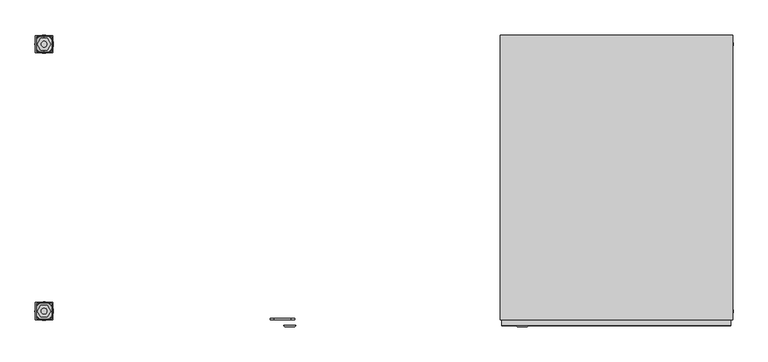
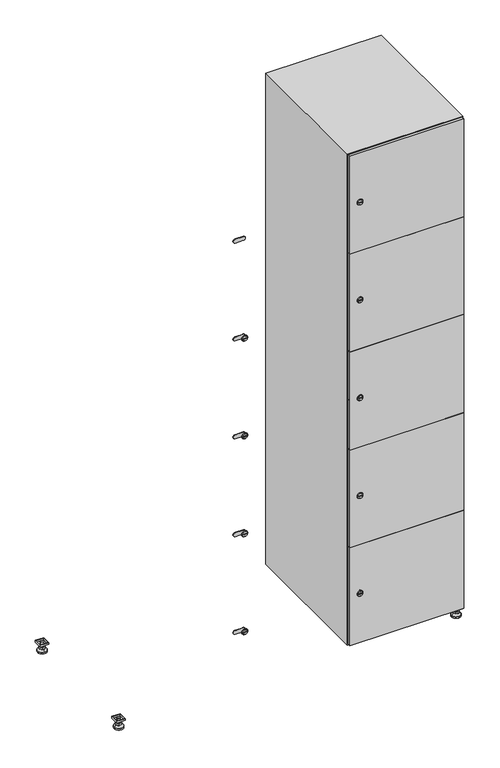
"""IFC4 building model written with IfcOpenShell, lengths in millimetres: furniture geometry."""

from ifc_helpers import new_model, si_unit, point, frame, frame_2d, origin, origin_with_axes, place, context, project, spatial, polyline, circle_curve, trimmed, segment, composite_curve, outline, extrude, faceted_brep, source, transform, mapped, element, save
from ifc_brep_helpers import plane_surface, revolved_surface, advanced_brep


def furniture_a949ebe7(model_context):
    return source(origin(), model_context, "Body", "SolidModel", [
        extrude(outline(polyline([(1000.0, 245.0), (1000.0, 215.0), (970.0, 215.0), (970.0, 245.0), (1000.0, 245.0)]), holes=[polyline([(998.0, 243.0), (972.0, 243.0), (972.0, 217.0), (998.0, 217.0), (998.0, 243.0)])]), frame((0.0, 0.0, 28.5), z_axis=(0.0, 0.0, 1.0), x_axis=(1.0, 0.0, 0.0)), (0.0, 0.0, 1.0), 6.5),
        extrude(outline(polyline([(970.0, -245.0), (970.0, -215.0), (1000.0, -215.0), (1000.0, -245.0), (970.0, -245.0)]), holes=[polyline([(972.0, -243.0), (998.0, -243.0), (998.0, -217.0), (972.0, -217.0), (972.0, -243.0)])]), frame((0.0, 0.0, 28.5), z_axis=(0.0, 0.0, 1.0), x_axis=(1.0, 0.0, 0.0)), (0.0, 0.0, 1.0), 6.5),
        extrude(outline(polyline([(-170.0, 245.0), (-170.0, 215.0), (-200.0, 215.0), (-200.0, 245.0), (-170.0, 245.0)]), holes=[polyline([(-172.0, 243.0), (-198.0, 243.0), (-198.0, 217.0), (-172.0, 217.0), (-172.0, 243.0)])]), frame((0.0, 0.0, 28.5), z_axis=(0.0, 0.0, 1.0), x_axis=(1.0, 0.0, 0.0)), (0.0, 0.0, 1.0), 6.5),
        extrude(outline(polyline([(-170.0, -215.0), (-170.0, -245.0), (-200.0, -245.0), (-200.0, -215.0), (-170.0, -215.0)]), holes=[polyline([(-198.0, -243.0), (-172.0, -243.0), (-172.0, -217.0), (-198.0, -217.0), (-198.0, -243.0)])]), frame((0.0, 0.0, 28.5), z_axis=(0.0, 0.0, 1.0), x_axis=(1.0, 0.0, 0.0)), (0.0, 0.0, 1.0), 6.5),
        extrude(outline(composite_curve([segment(trimmed(circle_curve(frame_2d((-185.0, 230.0)), 5.0), [point((-180.0, 230.0))], [point((-190.0, 230.0))], False, "CARTESIAN"), True, "CONTINUOUS"), segment(trimmed(circle_curve(frame_2d((-185.0, 230.0)), 5.0), [point((-190.0, 230.0))], [point((-180.0, 230.0))], False, "CARTESIAN"), True, "CONTINUOUS")], self_intersect=False)), frame((0.0, 0.0, 19.6), z_axis=(0.0, 0.0, 1.0), x_axis=(1.0, 0.0, 0.0)), (0.0, 0.0, 1.0), 15.4),
        extrude(outline(composite_curve([segment(trimmed(circle_curve(frame_2d((-185.0, -230.0)), 5.0), [point((-180.0, -230.0))], [point((-190.0, -230.0))], False, "CARTESIAN"), True, "CONTINUOUS"), segment(trimmed(circle_curve(frame_2d((-185.0, -230.0)), 5.0), [point((-190.0, -230.0))], [point((-180.0, -230.0))], False, "CARTESIAN"), True, "CONTINUOUS")], self_intersect=False)), frame((0.0, 0.0, 19.6), z_axis=(0.0, 0.0, 1.0), x_axis=(1.0, 0.0, 0.0)), (0.0, 0.0, 1.0), 15.4),
        extrude(outline(composite_curve([segment(trimmed(circle_curve(frame_2d((985.0, 230.0)), 5.0), [point((990.0, 230.0))], [point((980.0, 230.0))], False, "CARTESIAN"), True, "CONTINUOUS"), segment(trimmed(circle_curve(frame_2d((985.0, 230.0)), 5.0), [point((980.0, 230.0))], [point((990.0, 230.0))], False, "CARTESIAN"), True, "CONTINUOUS")], self_intersect=False)), frame((0.0, 0.0, 19.6), z_axis=(0.0, 0.0, 1.0), x_axis=(1.0, 0.0, 0.0)), (0.0, 0.0, 1.0), 15.4),
        extrude(outline(polyline([(973.4529946, 230.0), (979.2264973, 240.0), (990.7735027, 240.0), (996.5470054, 230.0), (990.7735027, 220.0), (979.2264973, 220.0), (973.4529946, 230.0)])), frame((0.0, 0.0, 13.6), z_axis=(0.0, 0.0, 1.0), x_axis=(1.0, 0.0, 0.0)), (0.0, 0.0, 1.0), 6.0),
        extrude(outline(composite_curve([segment(trimmed(circle_curve(frame_2d((985.0, -230.0)), 5.0), [point((990.0, -230.0))], [point((980.0, -230.0))], False, "CARTESIAN"), True, "CONTINUOUS"), segment(trimmed(circle_curve(frame_2d((985.0, -230.0)), 5.0), [point((980.0, -230.0))], [point((990.0, -230.0))], False, "CARTESIAN"), True, "CONTINUOUS")], self_intersect=False)), frame((0.0, 0.0, 19.6), z_axis=(0.0, 0.0, 1.0), x_axis=(1.0, 0.0, 0.0)), (0.0, 0.0, 1.0), 15.4),
        extrude(outline(polyline([(973.4529946, -230.0), (979.2264973, -220.0), (990.7735027, -220.0), (996.5470054, -230.0), (990.7735027, -240.0), (979.2264973, -240.0), (973.4529946, -230.0)])), frame((0.0, 0.0, 13.6), z_axis=(0.0, 0.0, 1.0), x_axis=(1.0, 0.0, 0.0)), (0.0, 0.0, 1.0), 6.0),
        extrude(outline(composite_curve([segment(trimmed(circle_curve(frame_2d((985.0, 230.0)), 5.0), [point((990.0, 230.0))], [point((980.0, 230.0))], False, "CARTESIAN"), True, "CONTINUOUS"), segment(trimmed(circle_curve(frame_2d((985.0, 230.0)), 5.0), [point((980.0, 230.0))], [point((990.0, 230.0))], False, "CARTESIAN"), True, "CONTINUOUS")], self_intersect=False)), frame((0.0, 0.0, 12.1), z_axis=(0.0, 0.0, 1.0), x_axis=(1.0, 0.0, 0.0)), (0.0, 0.0, 1.0), 1.5),
        extrude(outline(composite_curve([segment(trimmed(circle_curve(frame_2d((985.0, -230.0)), 5.0), [point((990.0, -230.0))], [point((980.0, -230.0))], False, "CARTESIAN"), True, "CONTINUOUS"), segment(trimmed(circle_curve(frame_2d((985.0, -230.0)), 5.0), [point((980.0, -230.0))], [point((990.0, -230.0))], False, "CARTESIAN"), True, "CONTINUOUS")], self_intersect=False)), frame((0.0, 0.0, 12.1), z_axis=(0.0, 0.0, 1.0), x_axis=(1.0, 0.0, 0.0)), (0.0, 0.0, 1.0), 1.5),
        extrude(outline(polyline([(-196.5470054, 230.0), (-190.7735027, 240.0), (-179.2264973, 240.0), (-173.4529946, 230.0), (-179.2264973, 220.0), (-190.7735027, 220.0), (-196.5470054, 230.0)])), frame((0.0, 0.0, 13.6), z_axis=(0.0, 0.0, 1.0), x_axis=(1.0, 0.0, 0.0)), (0.0, 0.0, 1.0), 6.0),
        extrude(outline(polyline([(-196.5470054, -230.0), (-190.7735027, -220.0), (-179.2264973, -220.0), (-173.4529946, -230.0), (-179.2264973, -240.0), (-190.7735027, -240.0), (-196.5470054, -230.0)])), frame((0.0, 0.0, 13.6), z_axis=(0.0, 0.0, 1.0), x_axis=(1.0, 0.0, 0.0)), (0.0, 0.0, 1.0), 6.0),
        extrude(outline(composite_curve([segment(trimmed(circle_curve(frame_2d((-185.0, 230.0)), 5.0), [point((-185.0, 235.0))], [point((-185.0, 225.0))], False, "CARTESIAN"), True, "CONTINUOUS"), segment(trimmed(circle_curve(frame_2d((-185.0, 230.0)), 5.0), [point((-185.0, 225.0))], [point((-185.0, 235.0))], False, "CARTESIAN"), True, "CONTINUOUS")], self_intersect=False)), frame((0.0, 0.0, 12.1), z_axis=(0.0, 0.0, 1.0), x_axis=(1.0, 0.0, 0.0)), (0.0, 0.0, 1.0), 1.5),
        extrude(outline(composite_curve([segment(trimmed(circle_curve(frame_2d((-185.0, -230.0)), 5.0), [point((-180.0, -230.0))], [point((-190.0, -230.0))], False, "CARTESIAN"), True, "CONTINUOUS"), segment(trimmed(circle_curve(frame_2d((-185.0, -230.0)), 5.0), [point((-190.0, -230.0))], [point((-180.0, -230.0))], False, "CARTESIAN"), True, "CONTINUOUS")], self_intersect=False)), frame((0.0, 0.0, 12.1), z_axis=(0.0, 0.0, 1.0), x_axis=(1.0, 0.0, 0.0)), (0.0, 0.0, 1.0), 1.5),
        extrude(outline(composite_curve([segment(trimmed(circle_curve(frame_2d((985.0, 230.0)), 15.75), [point((1000.75, 230.0))], [point((969.25, 230.0))], False, "CARTESIAN"), True, "CONTINUOUS"), segment(trimmed(circle_curve(frame_2d((985.0, 230.0)), 15.75), [point((969.25, 230.0))], [point((1000.75, 230.0))], False, "CARTESIAN"), True, "CONTINUOUS")], self_intersect=False)), origin_with_axes(), (0.0, 0.0, 1.0), 5.1),
        extrude(outline(composite_curve([segment(trimmed(circle_curve(frame_2d((985.0, -230.0)), 15.75), [point((985.0, -214.25))], [point((985.0, -245.75))], False, "CARTESIAN"), True, "CONTINUOUS"), segment(trimmed(circle_curve(frame_2d((985.0, -230.0)), 15.75), [point((985.0, -245.75))], [point((985.0, -214.25))], False, "CARTESIAN"), True, "CONTINUOUS")], self_intersect=False)), origin_with_axes(), (0.0, 0.0, 1.0), 5.1),
        extrude(outline(composite_curve([segment(trimmed(circle_curve(frame_2d((-185.0, -230.0)), 15.75), [point((-169.25, -230.0))], [point((-200.75, -230.0))], False, "CARTESIAN"), True, "CONTINUOUS"), segment(trimmed(circle_curve(frame_2d((-185.0, -230.0)), 15.75), [point((-200.75, -230.0))], [point((-169.25, -230.0))], False, "CARTESIAN"), True, "CONTINUOUS")], self_intersect=False)), origin_with_axes(), (0.0, 0.0, 1.0), 5.1),
        extrude(outline(composite_curve([segment(trimmed(circle_curve(frame_2d((-185.0, 230.0)), 15.75), [point((-169.25, 230.0))], [point((-200.75, 230.0))], False, "CARTESIAN"), True, "CONTINUOUS"), segment(trimmed(circle_curve(frame_2d((-185.0, 230.0)), 15.75), [point((-200.75, 230.0))], [point((-169.25, 230.0))], False, "CARTESIAN"), True, "CONTINUOUS")], self_intersect=False)), origin_with_axes(), (0.0, 0.0, 1.0), 5.1),
        advanced_brep(
        [(-185.0, 239.5, 12.1), (-185.0, 220.5, 12.1), (-185.0, 214.25, 5.1), (-185.0, 245.75, 5.1)],
        [
            (0, 1, circle_curve(frame((-185.0, 230.0, 12.1), z_axis=(0.0, 0.0, -1.0), x_axis=(0.0, 1.0, 0.0)), 9.5)),
            (1, 2),
            (2, 3, circle_curve(frame((-185.0, 230.0, 5.1), z_axis=(0.0, 0.0, 1.0), x_axis=(0.0, 1.0, 0.0)), 15.75)),
            (3, 0),
            (1, 0, circle_curve(frame((-185.0, 230.0, 12.1), z_axis=(0.0, 0.0, -1.0), x_axis=(0.0, -1.0, 0.0)), 9.5)),
            (3, 2, circle_curve(frame((-185.0, 230.0, 5.1), z_axis=(0.0, 0.0, 1.0), x_axis=(0.0, -1.0, 0.0)), 15.75)),
        ],
        [
            revolved_surface(polyline([(-185.0, 220.5, 12.099999999999998), (-185.0, 214.25, 5.099999999999998)]), (-185.0, 230.0, 22.74), (0.0, 0.0, -1.0)),
            revolved_surface(polyline([(-185.0, 239.5, 12.099999999999998), (-185.0, 245.75, 5.099999999999998)]), (-185.0, 230.0, 22.74), (0.0, 0.0, -1.0)),
            plane_surface(frame((-185.0, 230.0, 5.1), z_axis=(0.0, 0.0, -1.0), x_axis=(1.0, 0.0, 0.0))),
            plane_surface(frame((-185.0, 230.0, 12.1), z_axis=(0.0, 0.0, 1.0), x_axis=(1.0, 0.0, 0.0))),
        ],
        [
            (0, [[1, 2, 3, 4]]),
            (1, [[5, -4, 6, -2]]),
            (2, [[-3, -6]]),
            (3, [[-5, -1]]),
        ],
    ),
        advanced_brep(
        [(985.0, 239.5, 12.1), (985.0, 220.5, 12.1), (985.0, 214.25, 5.1), (985.0, 245.75, 5.1)],
        [
            (0, 1, circle_curve(frame((985.0, 230.0, 12.1), z_axis=(0.0, 0.0, -1.0), x_axis=(0.0, 1.0, 0.0)), 9.5)),
            (1, 2),
            (2, 3, circle_curve(frame((985.0, 230.0, 5.1), z_axis=(0.0, 0.0, 1.0), x_axis=(0.0, 1.0, 0.0)), 15.75)),
            (3, 0),
            (1, 0, circle_curve(frame((985.0, 230.0, 12.1), z_axis=(0.0, 0.0, -1.0), x_axis=(0.0, -1.0, 0.0)), 9.5)),
            (3, 2, circle_curve(frame((985.0, 230.0, 5.1), z_axis=(0.0, 0.0, 1.0), x_axis=(0.0, -1.0, 0.0)), 15.75)),
        ],
        [
            revolved_surface(polyline([(985.0, 220.5, 12.099999999999998), (985.0, 214.25, 5.099999999999998)]), (985.0, 230.0, 22.74), (0.0, 0.0, -1.0)),
            revolved_surface(polyline([(985.0, 239.5, 12.099999999999998), (985.0, 245.75, 5.099999999999998)]), (985.0, 230.0, 22.74), (0.0, 0.0, -1.0)),
            plane_surface(frame((985.0, 230.0, 5.1), z_axis=(0.0, 0.0, -1.0), x_axis=(1.0, 0.0, 0.0))),
            plane_surface(frame((985.0, 230.0, 12.1), z_axis=(0.0, 0.0, 1.0), x_axis=(1.0, 0.0, 0.0))),
        ],
        [
            (0, [[1, 2, 3, 4]]),
            (1, [[5, -4, 6, -2]]),
            (2, [[-3, -6]]),
            (3, [[-5, -1]]),
        ],
    ),
        advanced_brep(
        [(1000.75, -230.0, 5.1), (969.25, -230.0, 5.1), (975.5, -230.0, 12.1), (994.5, -230.0, 12.1)],
        [
            (0, 1, circle_curve(frame((985.0, -230.0, 5.1), z_axis=(0.0, 0.0, 1.0), x_axis=(1.0, 0.0, 0.0)), 15.75)),
            (1, 2),
            (2, 3, circle_curve(frame((985.0, -230.0, 12.1), z_axis=(0.0, 0.0, -1.0), x_axis=(1.0, 0.0, 0.0)), 9.5)),
            (3, 0),
            (1, 0, circle_curve(frame((985.0, -230.0, 5.1), z_axis=(0.0, 0.0, 1.0), x_axis=(-1.0, 0.0, 0.0)), 15.75)),
            (3, 2, circle_curve(frame((985.0, -230.0, 12.1), z_axis=(0.0, 0.0, -1.0), x_axis=(-1.0, 0.0, 0.0)), 9.5)),
        ],
        [
            revolved_surface(polyline([(994.5, -230.0, 12.099999999999998), (1000.75, -230.0, 5.099999999999998)]), (985.0, -230.0, 22.74), (0.0, 0.0, -1.0)),
            revolved_surface(polyline([(975.5, -230.0, 12.099999999999998), (969.25, -230.0, 5.099999999999998)]), (985.0, -230.0, 22.74), (0.0, 0.0, -1.0)),
            plane_surface(frame((985.0, -230.0, 12.1), z_axis=(0.0, 0.0, 1.0), x_axis=(0.0, 1.0, 0.0))),
            plane_surface(frame((985.0, -230.0, 5.1), z_axis=(0.0, 0.0, -1.0), x_axis=(0.0, 1.0, 0.0))),
        ],
        [
            (0, [[1, 2, 3, 4]]),
            (1, [[5, -4, 6, -2]]),
            (2, [[-3, -6]]),
            (3, [[-5, -1]]),
        ],
    ),
        advanced_brep(
        [(-169.25, -230.0, 5.1), (-200.75, -230.0, 5.1), (-194.5, -230.0, 12.1), (-175.5, -230.0, 12.1)],
        [
            (0, 1, circle_curve(frame((-185.0, -230.0, 5.1), z_axis=(0.0, 0.0, 1.0), x_axis=(1.0, 0.0, 0.0)), 15.75)),
            (1, 2),
            (2, 3, circle_curve(frame((-185.0, -230.0, 12.1), z_axis=(0.0, 0.0, -1.0), x_axis=(1.0, 0.0, 0.0)), 9.5)),
            (3, 0),
            (1, 0, circle_curve(frame((-185.0, -230.0, 5.1), z_axis=(0.0, 0.0, 1.0), x_axis=(-1.0, 0.0, 0.0)), 15.75)),
            (3, 2, circle_curve(frame((-185.0, -230.0, 12.1), z_axis=(0.0, 0.0, -1.0), x_axis=(-1.0, 0.0, 0.0)), 9.5)),
        ],
        [
            revolved_surface(polyline([(-175.5, -230.0, 12.099999999999998), (-169.25, -230.0, 5.099999999999998)]), (-185.0, -230.0, 22.74), (0.0, 0.0, -1.0)),
            revolved_surface(polyline([(-194.5, -230.0, 12.099999999999998), (-200.75, -230.0, 5.099999999999998)]), (-185.0, -230.0, 22.74), (0.0, 0.0, -1.0)),
            plane_surface(frame((-185.0, -230.0, 12.1), z_axis=(0.0, 0.0, 1.0), x_axis=(0.0, 1.0, 0.0))),
            plane_surface(frame((-185.0, -230.0, 5.1), z_axis=(0.0, 0.0, -1.0), x_axis=(0.0, 1.0, 0.0))),
        ],
        [
            (0, [[1, 2, 3, 4]]),
            (1, [[5, -4, 6, -2]]),
            (2, [[-3, -6]]),
            (3, [[-5, -1]]),
        ],
    ),
        extrude(outline(composite_curve([segment(trimmed(circle_curve(frame_2d((217.4, 611.2010534)), 7.0), [point((224.4, 611.2010534))], [point((210.4, 611.2010534))], False, "CARTESIAN"), True, "CONTINUOUS"), segment(polyline([(210.4, 611.2010534), (210.4, 639.2010534)]), True, "CONTINUOUS"), segment(trimmed(circle_curve(frame_2d((217.4, 639.2010534)), 7.0), [point((210.4, 639.2010534))], [point((224.4, 639.2010534))], False, "CARTESIAN"), True, "CONTINUOUS"), segment(polyline([(224.4, 639.2010534), (224.4, 611.2010534)]), True, "CONTINUOUS")], self_intersect=False)), frame((0.0, -245.0, 0.0), z_axis=(0.0, 1.0, 0.0), x_axis=(0.0, 0.0, 1.0)), (0.0, 0.0, 1.0), 2.0),
        advanced_brep(
        [(646.5, -257.2, 217.4), (629.5, -257.2, 217.4), (633.0, -257.2, 216.15), (633.0, -257.2, 218.65), (643.0, -257.2, 218.65), (643.0, -257.2, 216.15), (648.5, -255.0, 217.4), (627.5, -255.0, 217.4), (633.0, -255.0, 218.65), (633.0, -255.0, 216.15), (643.0, -255.0, 216.15), (643.0, -255.0, 218.65)],
        [
            (0, 1, circle_curve(frame((638.0, -257.2, 217.4), z_axis=(0.0, -1.0, 0.0), x_axis=(1.0, 0.0, 0.0)), 8.5)),
            (1, 0, circle_curve(frame((638.0, -257.2, 217.4), z_axis=(0.0, -1.0, 0.0), x_axis=(-1.0, 0.0, 0.0)), 8.5)),
            (2, 3),
            (3, 4),
            (4, 5),
            (5, 2),
            (6, 7, circle_curve(frame((638.0, -255.0, 217.4), z_axis=(0.0, 1.0, 0.0), x_axis=(-1.0, 0.0, 0.0)), 10.5)),
            (7, 6, circle_curve(frame((638.0, -255.0, 217.4), z_axis=(0.0, 1.0, 0.0), x_axis=(1.0, 0.0, 0.0)), 10.5)),
            (8, 9),
            (9, 10),
            (10, 11),
            (11, 8),
            (0, 6),
            (7, 1),
            (8, 3),
            (2, 9),
            (11, 4),
            (10, 5),
        ],
        [
            plane_surface(frame((638.0, -257.2, 217.4), z_axis=(0.0, -1.0, 0.0), x_axis=(0.0, 0.0, 1.0))),
            plane_surface(frame((638.0, -255.0, 217.4), z_axis=(0.0, 1.0, 0.0), x_axis=(0.0, 0.0, 1.0))),
            revolved_surface(polyline([(646.5, -257.2, 217.4), (648.5, -255.0, 217.4)]), (638.0, -266.55, 217.4), (0.0, 1.0, 0.0)),
            revolved_surface(polyline([(629.5, -257.2, 217.4), (627.5, -255.0, 217.4)]), (638.0, -266.55, 217.4), (0.0, 1.0, 0.0)),
            plane_surface(frame((633.0, -255.0, 216.15), z_axis=(1.0, 0.0, 0.0), x_axis=(0.0, -1.0, 0.0))),
            plane_surface(frame((633.0, -255.0, 218.65), z_axis=(0.0, 0.0, -1.0), x_axis=(0.0, -1.0, 0.0))),
            plane_surface(frame((643.0, -255.0, 218.65), z_axis=(-1.0, 0.0, 0.0), x_axis=(0.0, -1.0, 0.0))),
            plane_surface(frame((643.0, -255.0, 216.15), z_axis=(0.0, 0.0, 1.0), x_axis=(0.0, -1.0, 0.0))),
        ],
        [
            (0, [[1, 2], [3, 4, 5, 6]]),
            (1, [[7, 8], [9, 10, 11, 12]]),
            (2, [[-1, 13, -8, 14]]),
            (3, [[-2, -14, -7, -13]]),
            (4, [[15, -3, 16, -9]]),
            (5, [[-15, -12, 17, -4]]),
            (6, [[-17, -11, 18, -5]]),
            (7, [[-16, -6, -18, -10]]),
        ],
    ),
        extrude(outline(composite_curve([segment(trimmed(circle_curve(frame_2d((576.2, 611.2010534)), 7.0), [point((583.2, 611.2010534))], [point((569.2, 611.2010534))], False, "CARTESIAN"), True, "CONTINUOUS"), segment(polyline([(569.2, 611.2010534), (569.2, 639.2010534)]), True, "CONTINUOUS"), segment(trimmed(circle_curve(frame_2d((576.2, 639.2010534)), 7.0), [point((569.2, 639.2010534))], [point((583.2, 639.2010534))], False, "CARTESIAN"), True, "CONTINUOUS"), segment(polyline([(583.2, 639.2010534), (583.2, 611.2010534)]), True, "CONTINUOUS")], self_intersect=False)), frame((0.0, -245.0, 0.0), z_axis=(0.0, 1.0, 0.0), x_axis=(0.0, 0.0, 1.0)), (0.0, 0.0, 1.0), 2.0),
        advanced_brep(
        [(646.5, -257.2, 576.2), (629.5, -257.2, 576.2), (633.0, -257.2, 574.95), (633.0, -257.2, 577.45), (643.0, -257.2, 577.45), (643.0, -257.2, 574.95), (648.5, -255.0, 576.2), (627.5, -255.0, 576.2), (633.0, -255.0, 577.45), (633.0, -255.0, 574.95), (643.0, -255.0, 574.95), (643.0, -255.0, 577.45)],
        [
            (0, 1, circle_curve(frame((638.0, -257.2, 576.2), z_axis=(0.0, -1.0, 0.0), x_axis=(1.0, 0.0, 0.0)), 8.5)),
            (1, 0, circle_curve(frame((638.0, -257.2, 576.2), z_axis=(0.0, -1.0, 0.0), x_axis=(-1.0, 0.0, 0.0)), 8.5)),
            (2, 3),
            (3, 4),
            (4, 5),
            (5, 2),
            (6, 7, circle_curve(frame((638.0, -255.0, 576.2), z_axis=(0.0, 1.0, 0.0), x_axis=(-1.0, 0.0, 0.0)), 10.5)),
            (7, 6, circle_curve(frame((638.0, -255.0, 576.2), z_axis=(0.0, 1.0, 0.0), x_axis=(1.0, 0.0, 0.0)), 10.5)),
            (8, 9),
            (9, 10),
            (10, 11),
            (11, 8),
            (0, 6),
            (7, 1),
            (8, 3),
            (2, 9),
            (11, 4),
            (10, 5),
        ],
        [
            plane_surface(frame((638.0, -257.2, 576.2), z_axis=(0.0, -1.0, 0.0), x_axis=(0.0, 0.0, 1.0))),
            plane_surface(frame((638.0, -255.0, 576.2), z_axis=(0.0, 1.0, 0.0), x_axis=(0.0, 0.0, 1.0))),
            revolved_surface(polyline([(646.5, -257.2, 576.2), (648.5, -255.0, 576.2)]), (638.0, -266.55, 576.2), (0.0, 1.0, 0.0)),
            revolved_surface(polyline([(629.5, -257.2, 576.2), (627.5, -255.0, 576.2)]), (638.0, -266.55, 576.2), (0.0, 1.0, 0.0)),
            plane_surface(frame((633.0, -255.0, 574.95), z_axis=(1.0, 0.0, 0.0), x_axis=(0.0, -1.0, 0.0))),
            plane_surface(frame((633.0, -255.0, 577.45), z_axis=(0.0, 0.0, -1.0), x_axis=(0.0, -1.0, 0.0))),
            plane_surface(frame((643.0, -255.0, 577.45), z_axis=(-1.0, 0.0, 0.0), x_axis=(0.0, -1.0, 0.0))),
            plane_surface(frame((643.0, -255.0, 574.95), z_axis=(0.0, 0.0, 1.0), x_axis=(0.0, -1.0, 0.0))),
        ],
        [
            (0, [[1, 2], [3, 4, 5, 6]]),
            (1, [[7, 8], [9, 10, 11, 12]]),
            (2, [[-1, 13, -8, 14]]),
            (3, [[-2, -14, -7, -13]]),
            (4, [[15, -3, 16, -9]]),
            (5, [[-15, -12, 17, -4]]),
            (6, [[-17, -11, 18, -5]]),
            (7, [[-16, -6, -18, -10]]),
        ],
    ),
        extrude(outline(composite_curve([segment(trimmed(circle_curve(frame_2d((935.0, 611.2010534)), 7.0), [point((942.0, 611.2010534))], [point((928.0, 611.2010534))], False, "CARTESIAN"), True, "CONTINUOUS"), segment(polyline([(928.0, 611.2010534), (928.0, 639.2010534)]), True, "CONTINUOUS"), segment(trimmed(circle_curve(frame_2d((935.0, 639.2010534)), 7.0), [point((928.0, 639.2010534))], [point((942.0, 639.2010534))], False, "CARTESIAN"), True, "CONTINUOUS"), segment(polyline([(942.0, 639.2010534), (942.0, 611.2010534)]), True, "CONTINUOUS")], self_intersect=False)), frame((0.0, -245.0, 0.0), z_axis=(0.0, 1.0, 0.0), x_axis=(0.0, 0.0, 1.0)), (0.0, 0.0, 1.0), 2.0),
        advanced_brep(
        [(646.5, -257.2, 935.0), (629.5, -257.2, 935.0), (633.0, -257.2, 933.75), (633.0, -257.2, 936.25), (643.0, -257.2, 936.25), (643.0, -257.2, 933.75), (648.5, -255.0, 935.0), (627.5, -255.0, 935.0), (633.0, -255.0, 936.25), (633.0, -255.0, 933.75), (643.0, -255.0, 933.75), (643.0, -255.0, 936.25)],
        [
            (0, 1, circle_curve(frame((638.0, -257.2, 935.0), z_axis=(0.0, -1.0, 0.0), x_axis=(1.0, 0.0, 0.0)), 8.5)),
            (1, 0, circle_curve(frame((638.0, -257.2, 935.0), z_axis=(0.0, -1.0, 0.0), x_axis=(-1.0, 0.0, 0.0)), 8.5)),
            (2, 3),
            (3, 4),
            (4, 5),
            (5, 2),
            (6, 7, circle_curve(frame((638.0, -255.0, 935.0), z_axis=(0.0, 1.0, 0.0), x_axis=(-1.0, 0.0, 0.0)), 10.5)),
            (7, 6, circle_curve(frame((638.0, -255.0, 935.0), z_axis=(0.0, 1.0, 0.0), x_axis=(1.0, 0.0, 0.0)), 10.5)),
            (8, 9),
            (9, 10),
            (10, 11),
            (11, 8),
            (0, 6),
            (7, 1),
            (8, 3),
            (2, 9),
            (11, 4),
            (10, 5),
        ],
        [
            plane_surface(frame((638.0, -257.2, 935.0), z_axis=(0.0, -1.0, 0.0), x_axis=(0.0, 0.0, 1.0))),
            plane_surface(frame((638.0, -255.0, 935.0), z_axis=(0.0, 1.0, 0.0), x_axis=(0.0, 0.0, 1.0))),
            revolved_surface(polyline([(646.5, -257.2, 935.0), (648.5, -255.0, 935.0)]), (638.0, -266.55, 935.0), (0.0, 1.0, 0.0)),
            revolved_surface(polyline([(629.5, -257.2, 935.0), (627.5, -255.0, 935.0)]), (638.0, -266.55, 935.0), (0.0, 1.0, 0.0)),
            plane_surface(frame((633.0, -255.0, 933.75), z_axis=(1.0, 0.0, 0.0), x_axis=(0.0, -1.0, 0.0))),
            plane_surface(frame((633.0, -255.0, 936.25), z_axis=(0.0, 0.0, -1.0), x_axis=(0.0, -1.0, 0.0))),
            plane_surface(frame((643.0, -255.0, 936.25), z_axis=(-1.0, 0.0, 0.0), x_axis=(0.0, -1.0, 0.0))),
            plane_surface(frame((643.0, -255.0, 933.75), z_axis=(0.0, 0.0, 1.0), x_axis=(0.0, -1.0, 0.0))),
        ],
        [
            (0, [[1, 2], [3, 4, 5, 6]]),
            (1, [[7, 8], [9, 10, 11, 12]]),
            (2, [[-1, 13, -8, 14]]),
            (3, [[-2, -14, -7, -13]]),
            (4, [[15, -3, 16, -9]]),
            (5, [[-15, -12, 17, -4]]),
            (6, [[-17, -11, 18, -5]]),
            (7, [[-16, -6, -18, -10]]),
        ],
    ),
        extrude(outline(composite_curve([segment(trimmed(circle_curve(frame_2d((1293.8, 611.2010534)), 7.0), [point((1300.8, 611.2010534))], [point((1286.8, 611.2010534))], False, "CARTESIAN"), True, "CONTINUOUS"), segment(polyline([(1286.8, 611.2010534), (1286.8, 639.2010534)]), True, "CONTINUOUS"), segment(trimmed(circle_curve(frame_2d((1293.8, 639.2010534)), 7.0), [point((1286.8, 639.2010534))], [point((1300.8, 639.2010534))], False, "CARTESIAN"), True, "CONTINUOUS"), segment(polyline([(1300.8, 639.2010534), (1300.8, 611.2010534)]), True, "CONTINUOUS")], self_intersect=False)), frame((0.0, -245.0, 0.0), z_axis=(0.0, 1.0, 0.0), x_axis=(0.0, 0.0, 1.0)), (0.0, 0.0, 1.0), 2.0),
        advanced_brep(
        [(646.5, -257.2, 1293.8), (629.5, -257.2, 1293.8), (633.0, -257.2, 1292.55), (633.0, -257.2, 1295.05), (643.0, -257.2, 1295.05), (643.0, -257.2, 1292.55), (648.5, -255.0, 1293.8), (627.5, -255.0, 1293.8), (633.0, -255.0, 1295.05), (633.0, -255.0, 1292.55), (643.0, -255.0, 1292.55), (643.0, -255.0, 1295.05)],
        [
            (0, 1, circle_curve(frame((638.0, -257.2, 1293.8), z_axis=(0.0, -1.0, 0.0), x_axis=(1.0, 0.0, 0.0)), 8.5)),
            (1, 0, circle_curve(frame((638.0, -257.2, 1293.8), z_axis=(0.0, -1.0, 0.0), x_axis=(-1.0, 0.0, 0.0)), 8.5)),
            (2, 3),
            (3, 4),
            (4, 5),
            (5, 2),
            (6, 7, circle_curve(frame((638.0, -255.0, 1293.8), z_axis=(0.0, 1.0, 0.0), x_axis=(-1.0, 0.0, 0.0)), 10.5)),
            (7, 6, circle_curve(frame((638.0, -255.0, 1293.8), z_axis=(0.0, 1.0, 0.0), x_axis=(1.0, 0.0, 0.0)), 10.5)),
            (8, 9),
            (9, 10),
            (10, 11),
            (11, 8),
            (0, 6),
            (7, 1),
            (8, 3),
            (2, 9),
            (11, 4),
            (10, 5),
        ],
        [
            plane_surface(frame((638.0, -257.2, 1293.8), z_axis=(0.0, -1.0, 0.0), x_axis=(0.0, 0.0, 1.0))),
            plane_surface(frame((638.0, -255.0, 1293.8), z_axis=(0.0, 1.0, 0.0), x_axis=(0.0, 0.0, 1.0))),
            revolved_surface(polyline([(646.5, -257.2, 1293.8), (648.5, -255.0, 1293.8)]), (638.0, -266.55, 1293.8), (0.0, 1.0, 0.0)),
            revolved_surface(polyline([(629.5, -257.2, 1293.8), (627.5, -255.0, 1293.8)]), (638.0, -266.55, 1293.8), (0.0, 1.0, 0.0)),
            plane_surface(frame((633.0, -255.0, 1292.55), z_axis=(1.0, 0.0, 0.0), x_axis=(0.0, -1.0, 0.0))),
            plane_surface(frame((633.0, -255.0, 1295.05), z_axis=(0.0, 0.0, -1.0), x_axis=(0.0, -1.0, 0.0))),
            plane_surface(frame((643.0, -255.0, 1295.05), z_axis=(-1.0, 0.0, 0.0), x_axis=(0.0, -1.0, 0.0))),
            plane_surface(frame((643.0, -255.0, 1292.55), z_axis=(0.0, 0.0, 1.0), x_axis=(0.0, -1.0, 0.0))),
        ],
        [
            (0, [[1, 2], [3, 4, 5, 6]]),
            (1, [[7, 8], [9, 10, 11, 12]]),
            (2, [[-1, 13, -8, 14]]),
            (3, [[-2, -14, -7, -13]]),
            (4, [[15, -3, 16, -9]]),
            (5, [[-15, -12, 17, -4]]),
            (6, [[-17, -11, 18, -5]]),
            (7, [[-16, -6, -18, -10]]),
        ],
    ),
        extrude(outline(composite_curve([segment(trimmed(circle_curve(frame_2d((1652.6, 611.2010534)), 7.0), [point((1659.6, 611.2010534))], [point((1645.6, 611.2010534))], False, "CARTESIAN"), True, "CONTINUOUS"), segment(polyline([(1645.6, 611.2010534), (1645.6, 639.2010534)]), True, "CONTINUOUS"), segment(trimmed(circle_curve(frame_2d((1652.6, 639.2010534)), 7.0), [point((1645.6, 639.2010534))], [point((1659.6, 639.2010534))], False, "CARTESIAN"), True, "CONTINUOUS"), segment(polyline([(1659.6, 639.2010534), (1659.6, 611.2010534)]), True, "CONTINUOUS")], self_intersect=False)), frame((0.0, -245.0, 0.0), z_axis=(0.0, 1.0, 0.0), x_axis=(0.0, 0.0, 1.0)), (0.0, 0.0, 1.0), 2.0),
        advanced_brep(
        [(646.5, -257.2, 1652.6), (629.5, -257.2, 1652.6), (633.0, -257.2, 1651.35), (633.0, -257.2, 1653.85), (643.0, -257.2, 1653.85), (643.0, -257.2, 1651.35), (648.5, -255.0, 1652.6), (627.5, -255.0, 1652.6), (633.0, -255.0, 1653.85), (633.0, -255.0, 1651.35), (643.0, -255.0, 1651.35), (643.0, -255.0, 1653.85)],
        [
            (0, 1, circle_curve(frame((638.0, -257.2, 1652.6), z_axis=(0.0, -1.0, 0.0), x_axis=(1.0, 0.0, 0.0)), 8.5)),
            (1, 0, circle_curve(frame((638.0, -257.2, 1652.6), z_axis=(0.0, -1.0, 0.0), x_axis=(-1.0, 0.0, 0.0)), 8.5)),
            (2, 3),
            (3, 4),
            (4, 5),
            (5, 2),
            (6, 7, circle_curve(frame((638.0, -255.0, 1652.6), z_axis=(0.0, 1.0, 0.0), x_axis=(-1.0, 0.0, 0.0)), 10.5)),
            (7, 6, circle_curve(frame((638.0, -255.0, 1652.6), z_axis=(0.0, 1.0, 0.0), x_axis=(1.0, 0.0, 0.0)), 10.5)),
            (8, 9),
            (9, 10),
            (10, 11),
            (11, 8),
            (0, 6),
            (7, 1),
            (8, 3),
            (2, 9),
            (11, 4),
            (10, 5),
        ],
        [
            plane_surface(frame((638.0, -257.2, 1652.6), z_axis=(0.0, -1.0, 0.0), x_axis=(0.0, 0.0, 1.0))),
            plane_surface(frame((638.0, -255.0, 1652.6), z_axis=(0.0, 1.0, 0.0), x_axis=(0.0, 0.0, 1.0))),
            revolved_surface(polyline([(646.5, -257.2, 1652.6), (648.5, -255.0, 1652.6)]), (638.0, -266.55, 1652.6), (0.0, 1.0, 0.0)),
            revolved_surface(polyline([(629.5, -257.2, 1652.6), (627.5, -255.0, 1652.6)]), (638.0, -266.55, 1652.6), (0.0, 1.0, 0.0)),
            plane_surface(frame((633.0, -255.0, 1651.35), z_axis=(1.0, 0.0, 0.0), x_axis=(0.0, -1.0, 0.0))),
            plane_surface(frame((633.0, -255.0, 1653.85), z_axis=(0.0, 0.0, -1.0), x_axis=(0.0, -1.0, 0.0))),
            plane_surface(frame((643.0, -255.0, 1653.85), z_axis=(-1.0, 0.0, 0.0), x_axis=(0.0, -1.0, 0.0))),
            plane_surface(frame((643.0, -255.0, 1651.35), z_axis=(0.0, 0.0, 1.0), x_axis=(0.0, -1.0, 0.0))),
        ],
        [
            (0, [[1, 2], [3, 4, 5, 6]]),
            (1, [[7, 8], [9, 10, 11, 12]]),
            (2, [[-1, 13, -8, 14]]),
            (3, [[-2, -14, -7, -13]]),
            (4, [[15, -3, 16, -9]]),
            (5, [[-15, -12, 17, -4]]),
            (6, [[-17, -11, 18, -5]]),
            (7, [[-16, -6, -18, -10]]),
        ],
    ),
        extrude(outline(polyline([(997.0, -245.0), (997.0, -255.0), (603.0, -255.0), (603.0, -245.0), (997.0, -245.0)])), frame((0.0, 0.0, 755.1), z_axis=(0.0, 0.0, 1.0), x_axis=(1.0, 0.0, 0.0)), (0.0, 0.0, 1.0), 359.8),
        extrude(outline(polyline([(997.0, -245.0), (997.0, -255.0), (603.0, -255.0), (603.0, -245.0), (997.0, -245.0)])), frame((0.0, 0.0, 396.3), z_axis=(0.0, 0.0, 1.0), x_axis=(1.0, 0.0, 0.0)), (0.0, 0.0, 1.0), 359.8),
        extrude(outline(polyline([(997.0, -245.0), (997.0, -255.0), (603.0, -255.0), (603.0, -245.0), (997.0, -245.0)])), frame((0.0, 0.0, 1113.9), z_axis=(0.0, 0.0, 1.0), x_axis=(1.0, 0.0, 0.0)), (0.0, 0.0, 1.0), 358.8),
        extrude(outline(polyline([(603.0, -255.0), (603.0, -245.0), (997.0, -245.0), (997.0, -255.0), (603.0, -255.0)])), frame((0.0, 0.0, 1473.7), z_axis=(0.0, 0.0, 1.0), x_axis=(1.0, 0.0, 0.0)), (0.0, 0.0, 1.0), 358.3),
        extrude(outline(polyline([(997.0, -245.0), (997.0, -255.0), (603.0, -255.0), (603.0, -245.0), (997.0, -245.0)])), frame((0.0, 0.0, 38.0), z_axis=(0.0, 0.0, 1.0), x_axis=(1.0, 0.0, 0.0)), (0.0, 0.0, 1.0), 359.3),
        extrude(outline(polyline([(979.6, 242.0), (979.6, -235.0), (620.4, -235.0), (620.4, 242.0), (979.6, 242.0)])), frame((0.0, 0.0, 1446.68), z_axis=(0.0, 0.0, 1.0), x_axis=(1.0, 0.0, 0.0)), (0.0, 0.0, 1.0), 20.4),
        extrude(outline(polyline([(979.6, 242.0), (979.6, -235.0), (620.4, -235.0), (620.4, 242.0), (979.6, 242.0)])), frame((0.0, 0.0, 1098.76), z_axis=(0.0, 0.0, 1.0), x_axis=(1.0, 0.0, 0.0)), (0.0, 0.0, 1.0), 20.4),
        extrude(outline(polyline([(979.6, 242.0), (979.6, -235.0), (620.4, -235.0), (620.4, 242.0), (979.6, 242.0)])), frame((0.0, 0.0, 750.84), z_axis=(0.0, 0.0, 1.0), x_axis=(1.0, 0.0, 0.0)), (0.0, 0.0, 1.0), 20.4),
        extrude(outline(polyline([(620.4, 242.0), (979.6, 242.0), (979.6, -235.0), (620.4, -235.0), (620.4, 242.0)])), frame((0.0, 0.0, 402.92), z_axis=(0.0, 0.0, 1.0), x_axis=(1.0, 0.0, 0.0)), (0.0, 0.0, 1.0), 20.4),
        faceted_brep([(1000.0, -245.0, 35.0), (1000.0, -245.0, 1835.0), (600.0, -245.0, 1835.0), (600.0, -245.0, 35.0), (979.6, -245.0, 1804.8), (979.6, -245.0, 65.2), (620.4, -245.0, 65.2), (620.4, -245.0, 1804.8), (1000.0, 245.0, 35.0), (600.0, 245.0, 35.0), (1000.0, 245.0, 1835.0), (600.0, 245.0, 1835.0), (979.6, 242.0, 1804.8), (979.6, 242.0, 65.2), (600.0, 245.0, 1804.8), (620.4, 242.0, 1804.8), (620.4, 242.0, 65.2)], [[[0, 1, 2, 3], [4, 5, 6, 7]], [[8, 0, 3, 9]], [[1, 0, 8, 10]], [[1, 10, 11, 2]], [[4, 12, 13, 5]], [[9, 3, 2, 11, 14]], [[10, 8, 9, 14, 11]], [[12, 15, 16, 13]], [[15, 7, 6, 16]], [[4, 7, 15, 12]], [[6, 5, 13, 16]]]),
        extrude(outline(composite_curve([segment(trimmed(circle_curve(frame_2d((217.4, 211.2010534)), 7.0), [point((224.4, 211.2010534))], [point((210.4, 211.2010534))], False, "CARTESIAN"), True, "CONTINUOUS"), segment(polyline([(210.4, 211.2010534), (210.4, 239.2010534)]), True, "CONTINUOUS"), segment(trimmed(circle_curve(frame_2d((217.4, 239.2010534)), 7.0), [point((210.4, 239.2010534))], [point((224.4, 239.2010534))], False, "CARTESIAN"), True, "CONTINUOUS"), segment(polyline([(224.4, 239.2010534), (224.4, 211.2010534)]), True, "CONTINUOUS")], self_intersect=False)), frame((0.0, -245.0, 0.0), z_axis=(0.0, 1.0, 0.0), x_axis=(0.0, 0.0, 1.0)), (0.0, 0.0, 1.0), 2.0),
        advanced_brep(
        [(246.5, -257.2, 217.4), (229.5, -257.2, 217.4), (233.0, -257.2, 216.15), (233.0, -257.2, 218.65), (243.0, -257.2, 218.65), (243.0, -257.2, 216.15), (248.5, -255.0, 217.4), (227.5, -255.0, 217.4), (233.0, -255.0, 218.65), (233.0, -255.0, 216.15), (243.0, -255.0, 216.15), (243.0, -255.0, 218.65)],
        [
            (0, 1, circle_curve(frame((238.0, -257.2, 217.4), z_axis=(0.0, -1.0, 0.0), x_axis=(1.0, 0.0, 0.0)), 8.5)),
            (1, 0, circle_curve(frame((238.0, -257.2, 217.4), z_axis=(0.0, -1.0, 0.0), x_axis=(-1.0, 0.0, 0.0)), 8.5)),
            (2, 3),
            (3, 4),
            (4, 5),
            (5, 2),
            (6, 7, circle_curve(frame((238.0, -255.0, 217.4), z_axis=(0.0, 1.0, 0.0), x_axis=(-1.0, 0.0, 0.0)), 10.5)),
            (7, 6, circle_curve(frame((238.0, -255.0, 217.4), z_axis=(0.0, 1.0, 0.0), x_axis=(1.0, 0.0, 0.0)), 10.5)),
            (8, 9),
            (9, 10),
            (10, 11),
            (11, 8),
            (0, 6),
            (7, 1),
            (8, 3),
            (2, 9),
            (11, 4),
            (10, 5),
        ],
        [
            plane_surface(frame((238.0, -257.2, 217.4), z_axis=(0.0, -1.0, 0.0), x_axis=(0.0, 0.0, 1.0))),
            plane_surface(frame((238.0, -255.0, 217.4), z_axis=(0.0, 1.0, 0.0), x_axis=(0.0, 0.0, 1.0))),
            revolved_surface(polyline([(246.5, -257.2, 217.4), (248.5, -255.0, 217.4)]), (238.0, -266.55, 217.4), (0.0, 1.0, 0.0)),
            revolved_surface(polyline([(229.5, -257.2, 217.4), (227.5, -255.0, 217.4)]), (238.0, -266.55, 217.4), (0.0, 1.0, 0.0)),
            plane_surface(frame((233.0, -255.0, 216.15), z_axis=(1.0, 0.0, 0.0), x_axis=(0.0, -1.0, 0.0))),
            plane_surface(frame((233.0, -255.0, 218.65), z_axis=(0.0, 0.0, -1.0), x_axis=(0.0, -1.0, 0.0))),
            plane_surface(frame((243.0, -255.0, 218.65), z_axis=(-1.0, 0.0, 0.0), x_axis=(0.0, -1.0, 0.0))),
            plane_surface(frame((243.0, -255.0, 216.15), z_axis=(0.0, 0.0, 1.0), x_axis=(0.0, -1.0, 0.0))),
        ],
        [
            (0, [[1, 2], [3, 4, 5, 6]]),
            (1, [[7, 8], [9, 10, 11, 12]]),
            (2, [[-1, 13, -8, 14]]),
            (3, [[-2, -14, -7, -13]]),
            (4, [[15, -3, 16, -9]]),
            (5, [[-15, -12, 17, -4]]),
            (6, [[-17, -11, 18, -5]]),
            (7, [[-16, -6, -18, -10]]),
        ],
    ),
        extrude(outline(composite_curve([segment(trimmed(circle_curve(frame_2d((576.2, 211.2010534)), 7.0), [point((583.2, 211.2010534))], [point((569.2, 211.2010534))], False, "CARTESIAN"), True, "CONTINUOUS"), segment(polyline([(569.2, 211.2010534), (569.2, 239.2010534)]), True, "CONTINUOUS"), segment(trimmed(circle_curve(frame_2d((576.2, 239.2010534)), 7.0), [point((569.2, 239.2010534))], [point((583.2, 239.2010534))], False, "CARTESIAN"), True, "CONTINUOUS"), segment(polyline([(583.2, 239.2010534), (583.2, 211.2010534)]), True, "CONTINUOUS")], self_intersect=False)), frame((0.0, -245.0, 0.0), z_axis=(0.0, 1.0, 0.0), x_axis=(0.0, 0.0, 1.0)), (0.0, 0.0, 1.0), 2.0),
        advanced_brep(
        [(246.5, -257.2, 576.2), (229.5, -257.2, 576.2), (233.0, -257.2, 574.95), (233.0, -257.2, 577.45), (243.0, -257.2, 577.45), (243.0, -257.2, 574.95), (248.5, -255.0, 576.2), (227.5, -255.0, 576.2), (233.0, -255.0, 577.45), (233.0, -255.0, 574.95), (243.0, -255.0, 574.95), (243.0, -255.0, 577.45)],
        [
            (0, 1, circle_curve(frame((238.0, -257.2, 576.2), z_axis=(0.0, -1.0, 0.0), x_axis=(1.0, 0.0, 0.0)), 8.5)),
            (1, 0, circle_curve(frame((238.0, -257.2, 576.2), z_axis=(0.0, -1.0, 0.0), x_axis=(-1.0, 0.0, 0.0)), 8.5)),
            (2, 3),
            (3, 4),
            (4, 5),
            (5, 2),
            (6, 7, circle_curve(frame((238.0, -255.0, 576.2), z_axis=(0.0, 1.0, 0.0), x_axis=(-1.0, 0.0, 0.0)), 10.5)),
            (7, 6, circle_curve(frame((238.0, -255.0, 576.2), z_axis=(0.0, 1.0, 0.0), x_axis=(1.0, 0.0, 0.0)), 10.5)),
            (8, 9),
            (9, 10),
            (10, 11),
            (11, 8),
            (0, 6),
            (7, 1),
            (8, 3),
            (2, 9),
            (11, 4),
            (10, 5),
        ],
        [
            plane_surface(frame((238.0, -257.2, 576.2), z_axis=(0.0, -1.0, 0.0), x_axis=(0.0, 0.0, 1.0))),
            plane_surface(frame((238.0, -255.0, 576.2), z_axis=(0.0, 1.0, 0.0), x_axis=(0.0, 0.0, 1.0))),
            revolved_surface(polyline([(246.5, -257.2, 576.2), (248.5, -255.0, 576.2)]), (238.0, -266.55, 576.2), (0.0, 1.0, 0.0)),
            revolved_surface(polyline([(229.5, -257.2, 576.2), (227.5, -255.0, 576.2)]), (238.0, -266.55, 576.2), (0.0, 1.0, 0.0)),
            plane_surface(frame((233.0, -255.0, 574.95), z_axis=(1.0, 0.0, 0.0), x_axis=(0.0, -1.0, 0.0))),
            plane_surface(frame((233.0, -255.0, 577.45), z_axis=(0.0, 0.0, -1.0), x_axis=(0.0, -1.0, 0.0))),
            plane_surface(frame((243.0, -255.0, 577.45), z_axis=(-1.0, 0.0, 0.0), x_axis=(0.0, -1.0, 0.0))),
            plane_surface(frame((243.0, -255.0, 574.95), z_axis=(0.0, 0.0, 1.0), x_axis=(0.0, -1.0, 0.0))),
        ],
        [
            (0, [[1, 2], [3, 4, 5, 6]]),
            (1, [[7, 8], [9, 10, 11, 12]]),
            (2, [[-1, 13, -8, 14]]),
            (3, [[-2, -14, -7, -13]]),
            (4, [[15, -3, 16, -9]]),
            (5, [[-15, -12, 17, -4]]),
            (6, [[-17, -11, 18, -5]]),
            (7, [[-16, -6, -18, -10]]),
        ],
    ),
        extrude(outline(composite_curve([segment(trimmed(circle_curve(frame_2d((935.0, 211.2010534)), 7.0), [point((942.0, 211.2010534))], [point((928.0, 211.2010534))], False, "CARTESIAN"), True, "CONTINUOUS"), segment(polyline([(928.0, 211.2010534), (928.0, 239.2010534)]), True, "CONTINUOUS"), segment(trimmed(circle_curve(frame_2d((935.0, 239.2010534)), 7.0), [point((928.0, 239.2010534))], [point((942.0, 239.2010534))], False, "CARTESIAN"), True, "CONTINUOUS"), segment(polyline([(942.0, 239.2010534), (942.0, 211.2010534)]), True, "CONTINUOUS")], self_intersect=False)), frame((0.0, -245.0, 0.0), z_axis=(0.0, 1.0, 0.0), x_axis=(0.0, 0.0, 1.0)), (0.0, 0.0, 1.0), 2.0),
        advanced_brep(
        [(246.5, -257.2, 935.0), (229.5, -257.2, 935.0), (233.0, -257.2, 933.75), (233.0, -257.2, 936.25), (243.0, -257.2, 936.25), (243.0, -257.2, 933.75), (248.5, -255.0, 935.0), (227.5, -255.0, 935.0), (233.0, -255.0, 936.25), (233.0, -255.0, 933.75), (243.0, -255.0, 933.75), (243.0, -255.0, 936.25)],
        [
            (0, 1, circle_curve(frame((238.0, -257.2, 935.0), z_axis=(0.0, -1.0, 0.0), x_axis=(1.0, 0.0, 0.0)), 8.5)),
            (1, 0, circle_curve(frame((238.0, -257.2, 935.0), z_axis=(0.0, -1.0, 0.0), x_axis=(-1.0, 0.0, 0.0)), 8.5)),
            (2, 3),
            (3, 4),
            (4, 5),
            (5, 2),
            (6, 7, circle_curve(frame((238.0, -255.0, 935.0), z_axis=(0.0, 1.0, 0.0), x_axis=(-1.0, 0.0, 0.0)), 10.5)),
            (7, 6, circle_curve(frame((238.0, -255.0, 935.0), z_axis=(0.0, 1.0, 0.0), x_axis=(1.0, 0.0, 0.0)), 10.5)),
            (8, 9),
            (9, 10),
            (10, 11),
            (11, 8),
            (0, 6),
            (7, 1),
            (8, 3),
            (2, 9),
            (11, 4),
            (10, 5),
        ],
        [
            plane_surface(frame((238.0, -257.2, 935.0), z_axis=(0.0, -1.0, 0.0), x_axis=(0.0, 0.0, 1.0))),
            plane_surface(frame((238.0, -255.0, 935.0), z_axis=(0.0, 1.0, 0.0), x_axis=(0.0, 0.0, 1.0))),
            revolved_surface(polyline([(246.5, -257.2, 935.0), (248.5, -255.0, 935.0)]), (238.0, -266.55, 935.0), (0.0, 1.0, 0.0)),
            revolved_surface(polyline([(229.5, -257.2, 935.0), (227.5, -255.0, 935.0)]), (238.0, -266.55, 935.0), (0.0, 1.0, 0.0)),
            plane_surface(frame((233.0, -255.0, 933.75), z_axis=(1.0, 0.0, 0.0), x_axis=(0.0, -1.0, 0.0))),
            plane_surface(frame((233.0, -255.0, 936.25), z_axis=(0.0, 0.0, -1.0), x_axis=(0.0, -1.0, 0.0))),
            plane_surface(frame((243.0, -255.0, 936.25), z_axis=(-1.0, 0.0, 0.0), x_axis=(0.0, -1.0, 0.0))),
            plane_surface(frame((243.0, -255.0, 933.75), z_axis=(0.0, 0.0, 1.0), x_axis=(0.0, -1.0, 0.0))),
        ],
        [
            (0, [[1, 2], [3, 4, 5, 6]]),
            (1, [[7, 8], [9, 10, 11, 12]]),
            (2, [[-1, 13, -8, 14]]),
            (3, [[-2, -14, -7, -13]]),
            (4, [[15, -3, 16, -9]]),
            (5, [[-15, -12, 17, -4]]),
            (6, [[-17, -11, 18, -5]]),
            (7, [[-16, -6, -18, -10]]),
        ],
    ),
        extrude(outline(composite_curve([segment(trimmed(circle_curve(frame_2d((1293.8, 211.2010534)), 7.0), [point((1300.8, 211.2010534))], [point((1286.8, 211.2010534))], False, "CARTESIAN"), True, "CONTINUOUS"), segment(polyline([(1286.8, 211.2010534), (1286.8, 239.2010534)]), True, "CONTINUOUS"), segment(trimmed(circle_curve(frame_2d((1293.8, 239.2010534)), 7.0), [point((1286.8, 239.2010534))], [point((1300.8, 239.2010534))], False, "CARTESIAN"), True, "CONTINUOUS"), segment(polyline([(1300.8, 239.2010534), (1300.8, 211.2010534)]), True, "CONTINUOUS")], self_intersect=False)), frame((0.0, -245.0, 0.0), z_axis=(0.0, 1.0, 0.0), x_axis=(0.0, 0.0, 1.0)), (0.0, 0.0, 1.0), 2.0),
        advanced_brep(
        [(246.5, -257.2, 1293.8), (229.5, -257.2, 1293.8), (233.0, -257.2, 1292.55), (233.0, -257.2, 1295.05), (243.0, -257.2, 1295.05), (243.0, -257.2, 1292.55), (248.5, -255.0, 1293.8), (227.5, -255.0, 1293.8), (233.0, -255.0, 1295.05), (233.0, -255.0, 1292.55), (243.0, -255.0, 1292.55), (243.0, -255.0, 1295.05)],
        [
            (0, 1, circle_curve(frame((238.0, -257.2, 1293.8), z_axis=(0.0, -1.0, 0.0), x_axis=(1.0, 0.0, 0.0)), 8.5)),
            (1, 0, circle_curve(frame((238.0, -257.2, 1293.8), z_axis=(0.0, -1.0, 0.0), x_axis=(-1.0, 0.0, 0.0)), 8.5)),
            (2, 3),
            (3, 4),
            (4, 5),
            (5, 2),
            (6, 7, circle_curve(frame((238.0, -255.0, 1293.8), z_axis=(0.0, 1.0, 0.0), x_axis=(-1.0, 0.0, 0.0)), 10.5)),
            (7, 6, circle_curve(frame((238.0, -255.0, 1293.8), z_axis=(0.0, 1.0, 0.0), x_axis=(1.0, 0.0, 0.0)), 10.5)),
            (8, 9),
            (9, 10),
            (10, 11),
            (11, 8),
            (0, 6),
            (7, 1),
            (8, 3),
            (2, 9),
            (11, 4),
            (10, 5),
        ],
        [
            plane_surface(frame((238.0, -257.2, 1293.8), z_axis=(0.0, -1.0, 0.0), x_axis=(0.0, 0.0, 1.0))),
            plane_surface(frame((238.0, -255.0, 1293.8), z_axis=(0.0, 1.0, 0.0), x_axis=(0.0, 0.0, 1.0))),
            revolved_surface(polyline([(246.5, -257.2, 1293.8), (248.5, -255.0, 1293.8)]), (238.0, -266.55, 1293.8), (0.0, 1.0, 0.0)),
            revolved_surface(polyline([(229.5, -257.2, 1293.8), (227.5, -255.0, 1293.8)]), (238.0, -266.55, 1293.8), (0.0, 1.0, 0.0)),
            plane_surface(frame((233.0, -255.0, 1292.55), z_axis=(1.0, 0.0, 0.0), x_axis=(0.0, -1.0, 0.0))),
            plane_surface(frame((233.0, -255.0, 1295.05), z_axis=(0.0, 0.0, -1.0), x_axis=(0.0, -1.0, 0.0))),
            plane_surface(frame((243.0, -255.0, 1295.05), z_axis=(-1.0, 0.0, 0.0), x_axis=(0.0, -1.0, 0.0))),
            plane_surface(frame((243.0, -255.0, 1292.55), z_axis=(0.0, 0.0, 1.0), x_axis=(0.0, -1.0, 0.0))),
        ],
        [
            (0, [[1, 2], [3, 4, 5, 6]]),
            (1, [[7, 8], [9, 10, 11, 12]]),
            (2, [[-1, 13, -8, 14]]),
            (3, [[-2, -14, -7, -13]]),
            (4, [[15, -3, 16, -9]]),
            (5, [[-15, -12, 17, -4]]),
            (6, [[-17, -11, 18, -5]]),
            (7, [[-16, -6, -18, -10]]),
        ],
    ),
        extrude(outline(composite_curve([segment(trimmed(circle_curve(frame_2d((1652.6, 211.2010534)), 7.0), [point((1659.6, 211.2010534))], [point((1645.6, 211.2010534))], False, "CARTESIAN"), True, "CONTINUOUS"), segment(polyline([(1645.6, 211.2010534), (1645.6, 239.2010534)]), True, "CONTINUOUS"), segment(trimmed(circle_curve(frame_2d((1652.6, 239.2010534)), 7.0), [point((1645.6, 239.2010534))], [point((1659.6, 239.2010534))], False, "CARTESIAN"), True, "CONTINUOUS"), segment(polyline([(1659.6, 239.2010534), (1659.6, 211.2010534)]), True, "CONTINUOUS")], self_intersect=False)), frame((0.0, -245.0, 0.0), z_axis=(0.0, 1.0, 0.0), x_axis=(0.0, 0.0, 1.0)), (0.0, 0.0, 1.0), 2.0),
    ])


if __name__ == "__main__":
    model = new_model("IFC4")
    model_context = context("Model", 3, world=origin())
    ifc_project = project(units=[si_unit("LENGTHUNIT", "METRE", prefix="MILLI")], contexts=[model_context])
    site = spatial("IfcSite", under=ifc_project)
    building = spatial("IfcBuilding", under=site)
    placement = place(None, origin())
    furniture_shape = furniture_a949ebe7(model_context)
    element("IfcFurniture", 1, at=placement, inside=building, context=model_context, shape_type="MappedRepresentation", body=[
        mapped(furniture_shape, transform((0.0, 0.0, 0.0), x_axis=(1.0, 0.0, 0.0), y_axis=(0.0, 1.0, 0.0), z_axis=(0.0, 0.0, 1.0))),
    ])
    save(model, "model.ifc")
